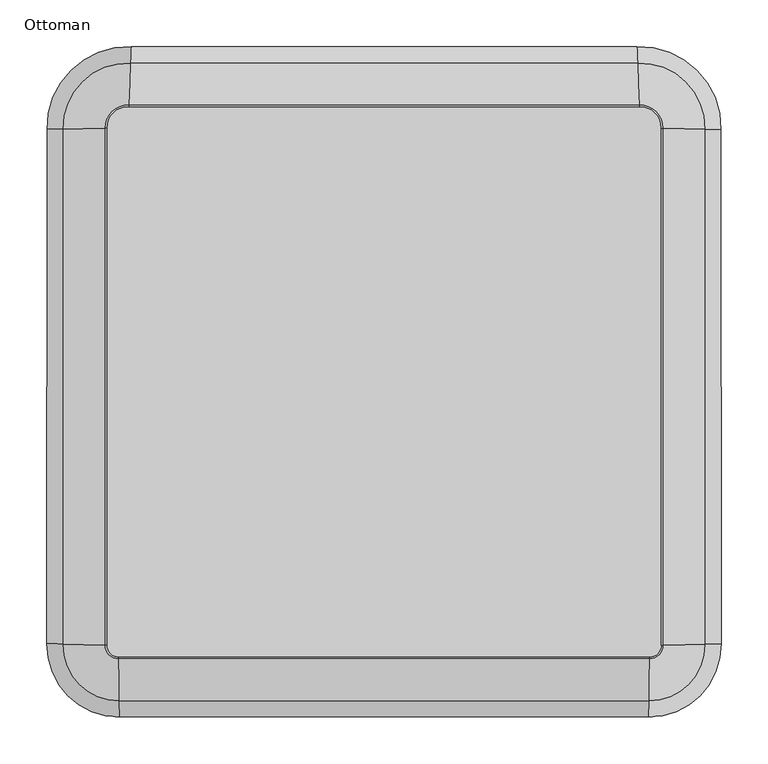
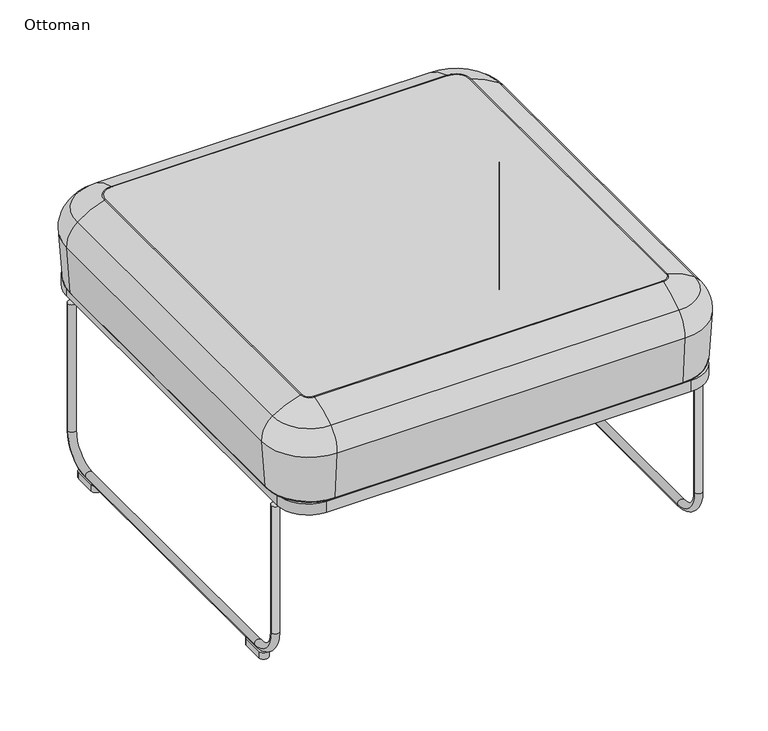
"""IFC4 building model written with IfcOpenShell, lengths in millimetres: furniture geometry, Ottoman."""

from ifc_helpers import new_model, si_unit, point, frame, frame_2d, origin, origin_with_axes, place, context, project, spatial, polyline, circle_curve, ellipse_curve, trimmed, segment, composite_curve, outline, extrude, source, transform, mapped, element, save
from ifc_brep_helpers import plane_surface, cylinder_surface, revolved_surface, advanced_brep


def ottoman_6b9ad98d(model_context):
    return source(origin(), model_context, "Body", "SolidModel", [
        advanced_brep(
        [(-167.4543852, -161.7092284, 425.107536), (396.0543852, -161.7092284, 425.107536), (396.8206981, -117.1105594, 446.6889113), (-168.2206981, -117.1105594, 446.6889113), (-167.1565501, -179.0429391, 387.7913652), (395.7565501, -179.0429391, 387.7913652), (-167.252074, -173.4835407, 308.2765291), (395.852074, -173.4835407, 308.2765291), (-167.3064873, -170.3167423, 305.3230059), (395.9064873, -170.3167423, 305.3230059), (396.8498064, -115.4164843, 446.9191268), (-168.2498064, -115.4164843, 446.9191268), (-180.9132091, -102.6612873, 446.9191268), (-182.6070297, -102.6199443, 446.6889113), (-227.1990008, -101.5315367, 425.107536), (-244.5301083, -101.1085164, 387.7913652), (-238.9715448, -101.2441906, 308.2765291), (-235.805222, -101.3214747, 305.3230059), (-180.8078426, 447.8185464, 446.9191268), (-182.5016789, 447.7778518, 446.6889113), (-227.0940634, 446.7065149, 425.107536), (-244.4253315, 446.2901293, 387.7913652), (-238.8667165, 446.4236756, 308.2765291), (-235.7003644, 446.4997476, 305.3230059), (-157.6631829, 470.5656909, 446.9191268), (-157.5931525, 472.2585681, 446.6889113), (-155.7495149, 516.8257031, 425.107536), (-155.0329671, 534.1471577, 387.7913652), (-155.2627837, 528.5916902, 308.2765291), (-155.3936941, 525.4271309, 305.3230059), (386.2631829, 470.5656909, 446.9191268), (386.1931525, 472.2585681, 446.6889113), (384.3495149, 516.8257031, 425.107536), (383.6329671, 534.1471577, 387.7913652), (383.8627837, 528.5916902, 308.2765291), (383.9936941, 525.4271309, 305.3230059), (409.4078426, 447.8185464, 446.9191268), (411.1016789, 447.7778518, 446.6889113), (455.6940634, 446.7065149, 425.107536), (473.0253315, 446.2901293, 387.7913652), (467.4667165, 446.4236756, 308.2765291), (464.3003644, 446.4997476, 305.3230059), (409.5132091, -102.6612873, 446.9191268), (411.2070297, -102.6199443, 446.6889113), (455.7990008, -101.5315367, 425.107536), (473.1301083, -101.1085164, 387.7913652), (467.5715448, -101.2441906, 308.2765291), (464.405222, -101.3214747, 305.3230059)],
        [
            (0, 1, circle_curve(frame((114.3, -16559.5410967, 425.107536), z_axis=(0.0, 0.0, -1.0), x_axis=(0.017179881139762494, 0.9998524149513385, 0.0)), 16400.2523003)),
            (1, 2, circle_curve(frame((397.4532216, -80.2983084, 313.7059939), z_axis=(-0.9998524149513385, 0.01717988113976248, 0.0), x_axis=(-0.01717988113976248, -0.9998524149513385, 0.0)), 137.9855)),
            (2, 3, circle_curve(frame((114.3, -16559.5410967, 446.6889113), z_axis=(0.0, 0.0, 1.0), x_axis=(0.017179881139762494, 0.9998524149513385, 0.0)), 16444.8575524)),
            (3, 0, circle_curve(frame((-168.8532216, -80.2983084, 313.7059939), z_axis=(0.9998524149513385, 0.017179881139762706, 0.0), x_axis=(0.017179881139762706, -0.9998524149513385, 0.0)), 137.9855)),
            (0, 4, circle_curve(frame((-167.8856877, -136.6078403, 390.7591544), z_axis=(0.9998524149513385, 0.017179881139762713, 0.0), x_axis=(0.017179881139762713, -0.9998524149513385, 0.0)), 42.545)),
            (4, 5, circle_curve(frame((114.3, -16559.5410967, 387.7913652), z_axis=(0.0, 0.0, -1.0), x_axis=(0.017179881139762494, 0.9998524149513385, 0.0)), 16382.9160311)),
            (5, 1, circle_curve(frame((396.4856877, -136.6078403, 390.7591544), z_axis=(-0.9998524149513385, 0.01717988113976248, 0.0), x_axis=(-0.01717988113976248, -0.9998524149513385, 0.0)), 42.545)),
            (4, 6),
            (6, 7, circle_curve(frame((114.3, -16559.5410967, 308.2765291), z_axis=(0.0, 0.0, -1.0), x_axis=(0.017179881139762494, 0.9998524149513385, 0.0)), 16388.4762501)),
            (7, 5),
            (6, 8, circle_curve(frame((-167.3064873, -170.3167423, 308.4980059), z_axis=(0.9998524149513385, 0.017179881139762706, 0.0), x_axis=(0.017179881139762706, -0.9998524149513385, 0.0)), 3.175)),
            (8, 9, circle_curve(frame((114.3, -16559.5410967, 305.3230059), z_axis=(0.0, 0.0, -1.0), x_axis=(0.017179881139762494, 0.9998524149513385, 0.0)), 16391.6435159)),
            (9, 7, circle_curve(frame((395.9064873, -170.3167423, 308.4980059), z_axis=(-0.9998524149513385, 0.01717988113976248, 0.0), x_axis=(-0.01717988113976248, -0.9998524149513385, 0.0)), 3.175)),
            (2, 10, circle_curve(frame((396.8498064, -115.4164843, 440.5691268), z_axis=(-0.9998524149513385, 0.01717988113976248, 0.0), x_axis=(-0.01717988113976248, -0.9998524149513385, 0.0)), 6.35)),
            (10, 11, circle_curve(frame((114.3, -16559.5410967, 446.9191268), z_axis=(0.0, 0.0, 1.0), x_axis=(0.017179881139762494, 0.9998524149513385, 0.0)), 16446.5518775)),
            (11, 3, circle_curve(frame((-168.2498064, -115.4164843, 440.5691268), z_axis=(0.9998524149513385, 0.017179881139762713, 0.0), x_axis=(0.017179881139762713, -0.9998524149513385, 0.0)), 6.35)),
            (11, 12, circle_curve(frame((-168.4637503, -102.9651556, 446.9191268), z_axis=(0.0, 0.0, -1.0), x_axis=(0.017179881139762807, -0.9998524149513385, 0.0)), 12.4531666)),
            (12, 13, circle_curve(frame((-180.9132091, -102.6612873, 440.5691268), z_axis=(-0.02440088431373543, -0.9997022540960422, 0.0), x_axis=(-0.9997022540960422, 0.02440088431373543, 0.0)), 6.35)),
            (13, 3, circle_curve(frame((-168.4637503, -102.9651556, 446.6889113), z_axis=(0.0, 0.0, 1.0), x_axis=(0.017179881139762807, -0.9998524149513385, 0.0)), 14.1474918)),
            (13, 14, circle_curve(frame((-145.8003073, -103.5183283, 313.7059939), z_axis=(-0.024400884314411137, -0.9997022540960256, 0.0), x_axis=(-0.9997022540960256, 0.024400884314411137, 0.0)), 137.9855)),
            (14, 0, circle_curve(frame((-168.4637503, -102.9651556, 425.107536), z_axis=(0.0, 0.0, 1.0), x_axis=(0.017179881139762807, -0.9998524149513385, 0.0)), 58.7527439)),
            (14, 15, circle_curve(frame((-202.1013825, -102.1441232, 390.7591544), z_axis=(-0.02440088431818522, -0.9997022540959335, 0.0), x_axis=(-0.9997022540959335, 0.02440088431818522, 0.0)), 42.545)),
            (15, 4, circle_curve(frame((-168.4637503, -102.9651556, 387.7913652), z_axis=(0.0, 0.0, 1.0), x_axis=(0.017179881139762807, -0.9998524149513385, 0.0)), 76.0890131)),
            (15, 16),
            (16, 6, circle_curve(frame((-168.4637503, -102.9651556, 308.2765291), z_axis=(0.0, 0.0, 1.0), x_axis=(0.017179881139762807, -0.9998524149513385, 0.0)), 70.5287941)),
            (16, 17, circle_curve(frame((-235.805222, -101.3214747, 308.4980059), z_axis=(-0.024400884318385444, -0.9997022540959286, 0.0), x_axis=(-0.9997022540959286, 0.024400884318385444, 0.0)), 3.175)),
            (17, 8, circle_curve(frame((-168.4637503, -102.9651556, 305.3230059), z_axis=(0.0, 0.0, 1.0), x_axis=(0.017179881139762807, -0.9998524149513385, 0.0)), 67.3615283)),
            (12, 18, circle_curve(frame((-11546.6003282, 174.7541286, 446.9191268), z_axis=(0.0, 0.0, 1.0), x_axis=(0.9997022540959043, -0.024400884319382744, 0.0)), 11369.0722138)),
            (18, 19, circle_curve(frame((-180.8078426, 447.8185464, 440.5691268), z_axis=(0.02401817955838133, -0.999711521915548, 0.0), x_axis=(-0.999711521915548, -0.02401817955838133, 0.0)), 6.35)),
            (19, 13, circle_curve(frame((-11546.6003282, 174.7541286, 446.6889113), z_axis=(0.0, 0.0, -1.0), x_axis=(0.9997022540959043, -0.024400884319382744, 0.0)), 11367.3778887)),
            (19, 20, circle_curve(frame((-145.6946153, 448.6621456, 313.7059939), z_axis=(0.02401817955838133, -0.999711521915548, 0.0), x_axis=(-0.999711521915548, -0.02401817955838133, 0.0)), 137.9855)),
            (20, 14, circle_curve(frame((-11546.6003282, 174.7541286, 425.107536), z_axis=(0.0, 0.0, -1.0), x_axis=(0.9997022540959043, -0.024400884319382744, 0.0)), 11322.7726366)),
            (20, 21, circle_curve(frame((-201.9962124, 447.3094935, 390.7591544), z_axis=(0.02401817955838133, -0.999711521915548, 0.0), x_axis=(-0.999711521915548, -0.02401817955838133, 0.0)), 42.545)),
            (21, 15, circle_curve(frame((-11546.6003282, 174.7541286, 387.7913652), z_axis=(0.0, 0.0, -1.0), x_axis=(0.9997022540959043, -0.024400884319382744, 0.0)), 11305.4363673)),
            (21, 22),
            (22, 16, circle_curve(frame((-11546.6003282, 174.7541286, 308.2765291), z_axis=(0.0, 0.0, -1.0), x_axis=(0.9997022540959043, -0.024400884319382744, 0.0)), 11310.9965863)),
            (22, 23, circle_curve(frame((-235.7003644, 446.4997476, 308.4980059), z_axis=(0.02401817955838133, -0.999711521915548, 0.0), x_axis=(-0.999711521915548, -0.02401817955838133, 0.0)), 3.175)),
            (23, 17, circle_curve(frame((-11546.6003282, 174.7541286, 305.3230059), z_axis=(0.0, 0.0, -1.0), x_axis=(0.9997022540959043, -0.024400884319382744, 0.0)), 11314.1638522)),
            (18, 24, circle_curve(frame((-158.5820894, 448.3525226, 446.9191268), z_axis=(0.0, 0.0, -1.0), x_axis=(-0.999711521915548, -0.024018179558381914, 0.0)), 22.2321666)),
            (24, 25, circle_curve(frame((-157.6631829, 470.5656909, 440.5691268), z_axis=(-0.9991454554224839, 0.04133229861255114, 0.0), x_axis=(0.04133229861255114, 0.9991454554224839, 0.0)), 6.35)),
            (25, 19, circle_curve(frame((-158.5820894, 448.3525226, 446.6889113), z_axis=(0.0, 0.0, 1.0), x_axis=(-0.999711521915548, -0.024018179558381914, 0.0)), 23.9264918)),
            (25, 26, circle_curve(frame((-159.1149121, 435.4723458, 313.7059939), z_axis=(-0.9991454554224782, 0.041332298612688015, 0.0), x_axis=(0.041332298612688015, 0.9991454554224782, 0.0)), 137.9855)),
            (26, 20, circle_curve(frame((-158.5820894, 448.3525226, 425.107536), z_axis=(0.0, 0.0, 1.0), x_axis=(-0.999711521915548, -0.024018179558381914, 0.0)), 68.5317439)),
            (26, 27, circle_curve(frame((-156.7871661, 491.7420632, 390.7591544), z_axis=(-0.9991454554224295, 0.04133229861386386, 0.0), x_axis=(0.04133229861386386, 0.9991454554224295, 0.0)), 42.545)),
            (27, 21, circle_curve(frame((-158.5820894, 448.3525226, 387.7913652), z_axis=(0.0, 0.0, 1.0), x_axis=(-0.999711521915548, -0.024018179558381914, 0.0)), 85.8680131)),
            (27, 28),
            (28, 22, circle_curve(frame((-158.5820894, 448.3525226, 308.2765291), z_axis=(0.0, 0.0, 1.0), x_axis=(-0.999711521915548, -0.024018179558381914, 0.0)), 80.3077941)),
            (28, 29, circle_curve(frame((-155.3936941, 525.4271309, 308.4980059), z_axis=(-0.9991454554224257, 0.0413322986139566, 0.0), x_axis=(0.0413322986139566, 0.9991454554224257, 0.0)), 3.175)),
            (29, 23, circle_curve(frame((-158.5820894, 448.3525226, 305.3230059), z_axis=(0.0, 0.0, 1.0), x_axis=(-0.999711521915548, -0.024018179558381914, 0.0)), 77.1405283)),
            (24, 30, circle_curve(frame((114.3, 7044.862, 446.9191268), z_axis=(0.0, 0.0, 1.0), x_axis=(-0.04133229861449432, -0.9991454554224036, 0.0)), 6579.9191433)),
            (30, 31, circle_curve(frame((386.2631829, 470.5656909, 440.5691268), z_axis=(-0.999145455422404, -0.041332298614487555, 0.0), x_axis=(-0.041332298614487555, 0.999145455422404, 0.0)), 6.35)),
            (31, 25, circle_curve(frame((114.3, 7044.862, 446.6889113), z_axis=(0.0, 0.0, -1.0), x_axis=(-0.04133229861449432, -0.9991454554224036, 0.0)), 6578.2248182)),
            (31, 32, circle_curve(frame((387.7149121, 435.4723458, 313.7059939), z_axis=(-0.999145455422404, -0.04133229861448754, 0.0), x_axis=(-0.04133229861448754, 0.999145455422404, 0.0)), 137.9855)),
            (32, 26, circle_curve(frame((114.3, 7044.862, 425.107536), z_axis=(0.0, 0.0, -1.0), x_axis=(-0.04133229861449432, -0.9991454554224036, 0.0)), 6533.6195661)),
            (32, 33, circle_curve(frame((385.3871661, 491.7420632, 390.7591544), z_axis=(-0.999145455422404, -0.04133229861448754, 0.0), x_axis=(-0.04133229861448754, 0.999145455422404, 0.0)), 42.545)),
            (33, 27, circle_curve(frame((114.3, 7044.862, 387.7913652), z_axis=(0.0, 0.0, -1.0), x_axis=(-0.04133229861449432, -0.9991454554224036, 0.0)), 6516.2832968)),
            (33, 34),
            (34, 28, circle_curve(frame((114.3, 7044.862, 308.2765291), z_axis=(0.0, 0.0, -1.0), x_axis=(-0.04133229861449432, -0.9991454554224036, 0.0)), 6521.8435158)),
            (34, 35, circle_curve(frame((383.9936941, 525.4271309, 308.4980059), z_axis=(-0.999145455422404, -0.04133229861448754, 0.0), x_axis=(-0.04133229861448754, 0.999145455422404, 0.0)), 3.175)),
            (35, 29, circle_curve(frame((114.3, 7044.862, 305.3230059), z_axis=(0.0, 0.0, -1.0), x_axis=(-0.04133229861449432, -0.9991454554224036, 0.0)), 6525.0107817)),
            (30, 36, circle_curve(frame((387.1820894, 448.3525226, 446.9191268), z_axis=(0.0, 0.0, -1.0), x_axis=(-0.04133229861448754, 0.9991454554224038, 0.0)), 22.2321666)),
            (36, 37, circle_curve(frame((409.4078426, 447.8185464, 440.5691268), z_axis=(0.024018179558418673, 0.9997115219155471, 0.0), x_axis=(0.9997115219155471, -0.024018179558418673, 0.0)), 6.35)),
            (37, 31, circle_curve(frame((387.1820894, 448.3525226, 446.6889113), z_axis=(0.0, 0.0, 1.0), x_axis=(-0.04133229861448754, 0.9991454554224038, 0.0)), 23.9264918)),
            (37, 38, circle_curve(frame((374.2946153, 448.6621456, 313.7059939), z_axis=(0.02401817955841845, 0.9997115219155471, 0.0), x_axis=(0.9997115219155471, -0.02401817955841845, 0.0)), 137.9855)),
            (38, 32, circle_curve(frame((387.1820894, 448.3525226, 425.107536), z_axis=(0.0, 0.0, 1.0), x_axis=(-0.04133229861448754, 0.9991454554224038, 0.0)), 68.5317439)),
            (38, 39, circle_curve(frame((430.5962124, 447.3094935, 390.7591544), z_axis=(0.024018179558392264, 0.9997115219155478, 0.0), x_axis=(0.9997115219155478, -0.024018179558392264, 0.0)), 42.545)),
            (39, 33, circle_curve(frame((387.1820894, 448.3525226, 387.7913652), z_axis=(0.0, 0.0, 1.0), x_axis=(-0.04133229861448754, 0.9991454554224038, 0.0)), 85.8680131)),
            (39, 40),
            (40, 34, circle_curve(frame((387.1820894, 448.3525226, 308.2765291), z_axis=(0.0, 0.0, 1.0), x_axis=(-0.04133229861448754, 0.9991454554224038, 0.0)), 80.3077941)),
            (40, 41, circle_curve(frame((464.3003644, 446.4997476, 308.4980059), z_axis=(0.02401817955839182, 0.9997115219155477, 0.0), x_axis=(0.9997115219155477, -0.02401817955839182, 0.0)), 3.175)),
            (41, 35, circle_curve(frame((387.1820894, 448.3525226, 305.3230059), z_axis=(0.0, 0.0, 1.0), x_axis=(-0.04133229861448754, 0.9991454554224038, 0.0)), 77.1405283)),
            (36, 42, circle_curve(frame((11775.2003282, 174.7541286, 446.9191268), z_axis=(0.0, 0.0, 1.0), x_axis=(-0.9997115219155481, 0.024018179558381127, 0.0)), 11369.0722138)),
            (42, 43, circle_curve(frame((409.5132091, -102.6612873, 440.5691268), z_axis=(-0.0244008843193764, 0.9997022540959045, 0.0), x_axis=(0.9997022540959045, 0.0244008843193764, 0.0)), 6.35)),
            (43, 37, circle_curve(frame((11775.2003282, 174.7541286, 446.6889113), z_axis=(0.0, 0.0, -1.0), x_axis=(-0.9997115219155481, 0.024018179558381127, 0.0)), 11367.3778887)),
            (43, 44, circle_curve(frame((374.4003073, -103.5183283, 313.7059939), z_axis=(-0.024400884319376395, 0.9997022540959045, 0.0), x_axis=(0.9997022540959045, 0.024400884319376395, 0.0)), 137.9855)),
            (44, 38, circle_curve(frame((11775.2003282, 174.7541286, 425.107536), z_axis=(0.0, 0.0, -1.0), x_axis=(-0.9997115219155481, 0.024018179558381127, 0.0)), 11322.7726366)),
            (44, 45, circle_curve(frame((430.7013825, -102.1441232, 390.7591544), z_axis=(-0.024400884319376353, 0.9997022540959045, 0.0), x_axis=(0.9997022540959045, 0.024400884319376353, 0.0)), 42.545)),
            (45, 39, circle_curve(frame((11775.2003282, 174.7541286, 387.7913652), z_axis=(0.0, 0.0, -1.0), x_axis=(-0.9997115219155481, 0.024018179558381127, 0.0)), 11305.4363673)),
            (45, 46),
            (46, 40, circle_curve(frame((11775.2003282, 174.7541286, 308.2765291), z_axis=(0.0, 0.0, -1.0), x_axis=(-0.9997115219155481, 0.024018179558381127, 0.0)), 11310.9965863)),
            (46, 47, circle_curve(frame((464.405222, -101.3214747, 308.4980059), z_axis=(-0.024400884319376346, 0.9997022540959045, 0.0), x_axis=(0.9997022540959045, 0.024400884319376346, 0.0)), 3.175)),
            (47, 41, circle_curve(frame((11775.2003282, 174.7541286, 305.3230059), z_axis=(0.0, 0.0, -1.0), x_axis=(-0.9997115219155481, 0.024018179558381127, 0.0)), 11314.1638522)),
            (10, 42, circle_curve(frame((397.0637503, -102.9651556, 446.9191268), z_axis=(0.0, 0.0, 1.0), x_axis=(0.9997022540959042, 0.0244008843193877, 0.0)), 12.4531666)),
            (2, 43, circle_curve(frame((397.0637503, -102.9651556, 446.6889113), z_axis=(0.0, 0.0, 1.0), x_axis=(0.9997022540959042, 0.0244008843193877, 0.0)), 14.1474918)),
            (1, 44, circle_curve(frame((397.0637503, -102.9651556, 425.107536), z_axis=(0.0, 0.0, 1.0), x_axis=(0.9997022540959042, 0.0244008843193877, 0.0)), 58.7527439)),
            (5, 45, circle_curve(frame((397.0637503, -102.9651556, 387.7913652), z_axis=(0.0, 0.0, 1.0), x_axis=(0.9997022540959042, 0.0244008843193877, 0.0)), 76.0890131)),
            (7, 46, circle_curve(frame((397.0637503, -102.9651556, 308.2765291), z_axis=(0.0, 0.0, 1.0), x_axis=(0.9997022540959042, 0.0244008843193877, 0.0)), 70.5287941)),
            (9, 47, circle_curve(frame((397.0637503, -102.9651556, 305.3230059), z_axis=(0.0, 0.0, 1.0), x_axis=(0.9997022540959042, 0.0244008843193877, 0.0)), 67.3615283)),
        ],
        [
            revolved_surface(trimmed(ellipse_curve(frame((397.4532216, -80.2983084, 313.7059939), z_axis=(0.9998524149513385, -0.01717988113976248, 0.0), x_axis=(-0.01717988113976248, -0.9998524149513385, 0.0)), 137.9855, 137.9855), [point((396.8206981, -117.1105594, 446.6889113))], [point((396.0543852, -161.7092284, 425.107536))], True, "CARTESIAN"), (114.3, -16559.5410967, 431.8), (0.0, 0.0, 1.0)),
            revolved_surface(trimmed(ellipse_curve(frame((396.4856877, -136.6078403, 390.7591544), z_axis=(0.9998524149513385, -0.01717988113976248, 0.0), x_axis=(-0.01717988113976248, -0.9998524149513385, 0.0)), 42.545, 42.545), [point((396.0543852, -161.7092284, 425.107536))], [point((395.7565501, -179.0429391, 387.7913652))], True, "CARTESIAN"), (114.3, -16559.5410967, 431.8), (0.0, 0.0, 1.0)),
            revolved_surface(polyline([(395.7565501, -179.0429391, 387.7913652), (395.852074, -173.4835407, 308.2765291)]), (114.3, -16559.5410967, 431.8), (0.0, 0.0, 1.0)),
            revolved_surface(trimmed(ellipse_curve(frame((395.9064873, -170.3167423, 308.4980059), z_axis=(0.9998524149513385, -0.01717988113976248, 0.0), x_axis=(-0.01717988113976248, -0.9998524149513385, 0.0)), 3.175, 3.175), [point((395.852074, -173.4835407, 308.2765291))], [point((395.9064873, -170.3167423, 305.3230059))], True, "CARTESIAN"), (114.3, -16559.5410967, 431.8), (0.0, 0.0, 1.0)),
            revolved_surface(trimmed(ellipse_curve(frame((396.8498064, -115.4164843, 440.5691268), z_axis=(0.9998524149513385, -0.01717988113976248, 0.0), x_axis=(-0.01717988113976248, -0.9998524149513385, 0.0)), 6.35, 6.35), [point((396.8498064, -115.4164843, 446.9191268))], [point((396.8206981, -117.1105594, 446.6889113))], True, "CARTESIAN"), (114.3, -16559.5410967, 431.8), (0.0, 0.0, 1.0)),
            revolved_surface(trimmed(ellipse_curve(frame((-168.2498064, -115.4164843, 440.5691268), z_axis=(0.9998524149513385, 0.017179881139762845, 0.0), x_axis=(0.017179881139762845, -0.9998524149513385, 0.0)), 6.35, 6.35), [point((-168.2498064, -115.4164843, 446.9191268))], [point((-168.2206981, -117.1105594, 446.6889113))], True, "CARTESIAN"), (-168.4637503, -102.9651556, 431.8), (0.0, 0.0, -1.0)),
            revolved_surface(trimmed(ellipse_curve(frame((-168.8532216, -80.2983084, 313.7059939), z_axis=(0.9998524149513385, 0.017179881139762845, 0.0), x_axis=(0.017179881139762845, -0.9998524149513385, 0.0)), 137.9855, 137.9855), [point((-168.2206981, -117.1105594, 446.6889113))], [point((-167.4543852, -161.7092284, 425.107536))], True, "CARTESIAN"), (-168.4637503, -102.9651556, 431.8), (0.0, 0.0, -1.0)),
            revolved_surface(trimmed(ellipse_curve(frame((-167.8856877, -136.6078403, 390.7591544), z_axis=(0.9998524149513385, 0.017179881139762845, 0.0), x_axis=(0.017179881139762845, -0.9998524149513385, 0.0)), 42.545, 42.545), [point((-167.4543852, -161.7092284, 425.107536))], [point((-167.1565501, -179.0429391, 387.7913652))], True, "CARTESIAN"), (-168.4637503, -102.9651556, 431.8), (0.0, 0.0, -1.0)),
            revolved_surface(polyline([(-167.1565501, -179.0429391, 387.7913652), (-167.252074, -173.4835407, 308.2765291)]), (-168.4637503, -102.9651556, 431.8), (0.0, 0.0, -1.0)),
            revolved_surface(trimmed(ellipse_curve(frame((-167.3064873, -170.3167423, 308.4980059), z_axis=(0.9998524149513385, 0.017179881139762845, 0.0), x_axis=(0.017179881139762845, -0.9998524149513385, 0.0)), 3.175, 3.175), [point((-167.252074, -173.4835407, 308.2765291))], [point((-167.3064873, -170.3167423, 305.3230059))], True, "CARTESIAN"), (-168.4637503, -102.9651556, 431.8), (0.0, 0.0, -1.0)),
            revolved_surface(trimmed(ellipse_curve(frame((-180.9132091, -102.6612873, 440.5691268), z_axis=(-0.02440088431938276, -0.9997022540959043, 0.0), x_axis=(-0.9997022540959043, 0.02440088431938276, 0.0)), 6.35, 6.35), [point((-180.9132091, -102.6612873, 446.9191268))], [point((-182.6070297, -102.6199443, 446.6889113))], True, "CARTESIAN"), (-11546.6003282, 174.7541286, 431.8), (0.0, 0.0, 1.0)),
            revolved_surface(trimmed(ellipse_curve(frame((-145.8003073, -103.5183283, 313.7059939), z_axis=(-0.02440088431938276, -0.9997022540959043, 0.0), x_axis=(-0.9997022540959043, 0.02440088431938276, 0.0)), 137.9855, 137.9855), [point((-182.6070297, -102.6199443, 446.6889113))], [point((-227.1990008, -101.5315367, 425.107536))], True, "CARTESIAN"), (-11546.6003282, 174.7541286, 431.8), (0.0, 0.0, 1.0)),
            revolved_surface(trimmed(ellipse_curve(frame((-202.1013825, -102.1441232, 390.7591544), z_axis=(-0.02440088431938276, -0.9997022540959043, 0.0), x_axis=(-0.9997022540959043, 0.02440088431938276, 0.0)), 42.545, 42.545), [point((-227.1990008, -101.5315367, 425.107536))], [point((-244.5301083, -101.1085164, 387.7913652))], True, "CARTESIAN"), (-11546.6003282, 174.7541286, 431.8), (0.0, 0.0, 1.0)),
            revolved_surface(polyline([(-244.5301083, -101.1085164, 387.7913652), (-238.9715448, -101.2441906, 308.2765291)]), (-11546.6003282, 174.7541286, 431.8), (0.0, 0.0, 1.0)),
            revolved_surface(trimmed(ellipse_curve(frame((-235.805222, -101.3214747, 308.4980059), z_axis=(-0.02440088431938276, -0.9997022540959043, 0.0), x_axis=(-0.9997022540959043, 0.02440088431938276, 0.0)), 3.175, 3.175), [point((-238.9715448, -101.2441906, 308.2765291))], [point((-235.805222, -101.3214747, 305.3230059))], True, "CARTESIAN"), (-11546.6003282, 174.7541286, 431.8), (0.0, 0.0, 1.0)),
            revolved_surface(trimmed(ellipse_curve(frame((-180.8078426, 447.8185464, 440.5691268), z_axis=(0.024018179558381945, -0.999711521915548, 0.0), x_axis=(-0.999711521915548, -0.024018179558381945, 0.0)), 6.35, 6.35), [point((-180.8078426, 447.8185464, 446.9191268))], [point((-182.5016789, 447.7778518, 446.6889113))], True, "CARTESIAN"), (-158.5820894, 448.3525226, 431.8), (0.0, 0.0, -1.0)),
            revolved_surface(trimmed(ellipse_curve(frame((-145.6946153, 448.6621456, 313.7059939), z_axis=(0.024018179558381945, -0.999711521915548, 0.0), x_axis=(-0.999711521915548, -0.024018179558381945, 0.0)), 137.9855, 137.9855), [point((-182.5016789, 447.7778518, 446.6889113))], [point((-227.0940634, 446.7065149, 425.107536))], True, "CARTESIAN"), (-158.5820894, 448.3525226, 431.8), (0.0, 0.0, -1.0)),
            revolved_surface(trimmed(ellipse_curve(frame((-201.9962124, 447.3094935, 390.7591544), z_axis=(0.024018179558381945, -0.999711521915548, 0.0), x_axis=(-0.999711521915548, -0.024018179558381945, 0.0)), 42.545, 42.545), [point((-227.0940634, 446.7065149, 425.107536))], [point((-244.4253315, 446.2901293, 387.7913652))], True, "CARTESIAN"), (-158.5820894, 448.3525226, 431.8), (0.0, 0.0, -1.0)),
            revolved_surface(polyline([(-244.4253315, 446.2901293, 387.7913652), (-238.8667165, 446.4236756, 308.2765291)]), (-158.5820894, 448.3525226, 431.8), (0.0, 0.0, -1.0)),
            revolved_surface(trimmed(ellipse_curve(frame((-235.7003644, 446.4997476, 308.4980059), z_axis=(0.024018179558381945, -0.999711521915548, 0.0), x_axis=(-0.999711521915548, -0.024018179558381945, 0.0)), 3.175, 3.175), [point((-238.8667165, 446.4236756, 308.2765291))], [point((-235.7003644, 446.4997476, 305.3230059))], True, "CARTESIAN"), (-158.5820894, 448.3525226, 431.8), (0.0, 0.0, -1.0)),
            revolved_surface(trimmed(ellipse_curve(frame((-157.6631829, 470.5656909, 440.5691268), z_axis=(-0.9991454554224036, 0.041332298614494264, 0.0), x_axis=(0.041332298614494264, 0.9991454554224036, 0.0)), 6.35, 6.35), [point((-157.6631829, 470.5656909, 446.9191268))], [point((-157.5931525, 472.2585681, 446.6889113))], True, "CARTESIAN"), (114.3, 7044.862, 431.8), (0.0, 0.0, 1.0)),
            revolved_surface(trimmed(ellipse_curve(frame((-159.1149121, 435.4723458, 313.7059939), z_axis=(-0.9991454554224036, 0.041332298614494264, 0.0), x_axis=(0.041332298614494264, 0.9991454554224036, 0.0)), 137.9855, 137.9855), [point((-157.5931525, 472.2585681, 446.6889113))], [point((-155.7495149, 516.8257031, 425.107536))], True, "CARTESIAN"), (114.3, 7044.862, 431.8), (0.0, 0.0, 1.0)),
            revolved_surface(trimmed(ellipse_curve(frame((-156.7871661, 491.7420632, 390.7591544), z_axis=(-0.9991454554224036, 0.041332298614494264, 0.0), x_axis=(0.041332298614494264, 0.9991454554224036, 0.0)), 42.545, 42.545), [point((-155.7495149, 516.8257031, 425.107536))], [point((-155.0329671, 534.1471577, 387.7913652))], True, "CARTESIAN"), (114.3, 7044.862, 431.8), (0.0, 0.0, 1.0)),
            revolved_surface(polyline([(-155.0329671, 534.1471577, 387.7913652), (-155.2627837, 528.5916902, 308.2765291)]), (114.3, 7044.862, 431.8), (0.0, 0.0, 1.0)),
            revolved_surface(trimmed(ellipse_curve(frame((-155.3936941, 525.4271309, 308.4980059), z_axis=(-0.9991454554224036, 0.041332298614494264, 0.0), x_axis=(0.041332298614494264, 0.9991454554224036, 0.0)), 3.175, 3.175), [point((-155.2627837, 528.5916902, 308.2765291))], [point((-155.3936941, 525.4271309, 305.3230059))], True, "CARTESIAN"), (114.3, 7044.862, 431.8), (0.0, 0.0, 1.0)),
            revolved_surface(trimmed(ellipse_curve(frame((386.2631829, 470.5656909, 440.5691268), z_axis=(-0.9991454554224038, -0.0413322986144876, 0.0), x_axis=(-0.0413322986144876, 0.9991454554224038, 0.0)), 6.35, 6.35), [point((386.2631829, 470.5656909, 446.9191268))], [point((386.1931525, 472.2585681, 446.6889113))], True, "CARTESIAN"), (387.1820894, 448.3525226, 431.8), (0.0, 0.0, -1.0)),
            revolved_surface(trimmed(ellipse_curve(frame((387.7149121, 435.4723458, 313.7059939), z_axis=(-0.9991454554224038, -0.0413322986144876, 0.0), x_axis=(-0.0413322986144876, 0.9991454554224038, 0.0)), 137.9855, 137.9855), [point((386.1931525, 472.2585681, 446.6889113))], [point((384.3495149, 516.8257031, 425.107536))], True, "CARTESIAN"), (387.1820894, 448.3525226, 431.8), (0.0, 0.0, -1.0)),
            revolved_surface(trimmed(ellipse_curve(frame((385.3871661, 491.7420632, 390.7591544), z_axis=(-0.9991454554224038, -0.0413322986144876, 0.0), x_axis=(-0.0413322986144876, 0.9991454554224038, 0.0)), 42.545, 42.545), [point((384.3495149, 516.8257031, 425.107536))], [point((383.6329671, 534.1471577, 387.7913652))], True, "CARTESIAN"), (387.1820894, 448.3525226, 431.8), (0.0, 0.0, -1.0)),
            revolved_surface(polyline([(383.6329671, 534.1471577, 387.7913652), (383.8627837, 528.5916902, 308.2765291)]), (387.1820894, 448.3525226, 431.8), (0.0, 0.0, -1.0)),
            revolved_surface(trimmed(ellipse_curve(frame((383.9936941, 525.4271309, 308.4980059), z_axis=(-0.9991454554224038, -0.0413322986144876, 0.0), x_axis=(-0.0413322986144876, 0.9991454554224038, 0.0)), 3.175, 3.175), [point((383.8627837, 528.5916902, 308.2765291))], [point((383.9936941, 525.4271309, 305.3230059))], True, "CARTESIAN"), (387.1820894, 448.3525226, 431.8), (0.0, 0.0, -1.0)),
            revolved_surface(trimmed(ellipse_curve(frame((409.4078426, 447.8185464, 440.5691268), z_axis=(0.024018179558381064, 0.9997115219155481, 0.0), x_axis=(0.9997115219155481, -0.024018179558381064, 0.0)), 6.35, 6.35), [point((409.4078426, 447.8185464, 446.9191268))], [point((411.1016789, 447.7778518, 446.6889113))], True, "CARTESIAN"), (11775.2003282, 174.7541286, 431.8), (0.0, 0.0, 1.0)),
            revolved_surface(trimmed(ellipse_curve(frame((374.2946153, 448.6621456, 313.7059939), z_axis=(0.024018179558381064, 0.9997115219155481, 0.0), x_axis=(0.9997115219155481, -0.024018179558381064, 0.0)), 137.9855, 137.9855), [point((411.1016789, 447.7778518, 446.6889113))], [point((455.6940634, 446.7065149, 425.107536))], True, "CARTESIAN"), (11775.2003282, 174.7541286, 431.8), (0.0, 0.0, 1.0)),
            revolved_surface(trimmed(ellipse_curve(frame((430.5962124, 447.3094935, 390.7591544), z_axis=(0.024018179558381064, 0.9997115219155481, 0.0), x_axis=(0.9997115219155481, -0.024018179558381064, 0.0)), 42.545, 42.545), [point((455.6940634, 446.7065149, 425.107536))], [point((473.0253315, 446.2901293, 387.7913652))], True, "CARTESIAN"), (11775.2003282, 174.7541286, 431.8), (0.0, 0.0, 1.0)),
            revolved_surface(polyline([(473.0253315, 446.2901293, 387.7913652), (467.4667165, 446.4236756, 308.2765291)]), (11775.2003282, 174.7541286, 431.8), (0.0, 0.0, 1.0)),
            revolved_surface(trimmed(ellipse_curve(frame((464.3003644, 446.4997476, 308.4980059), z_axis=(0.024018179558381064, 0.9997115219155481, 0.0), x_axis=(0.9997115219155481, -0.024018179558381064, 0.0)), 3.175, 3.175), [point((467.4667165, 446.4236756, 308.2765291))], [point((464.3003644, 446.4997476, 305.3230059))], True, "CARTESIAN"), (11775.2003282, 174.7541286, 431.8), (0.0, 0.0, 1.0)),
            plane_surface(frame((397.0637503, -102.9651556, 446.9191268), z_axis=(0.0, 0.0, 1.0), x_axis=(0.9997022540959043, 0.024400884319387705, 0.0))),
            revolved_surface(trimmed(ellipse_curve(frame((409.5132091, -102.6612873, 440.5691268), z_axis=(-0.02440088431938776, 0.9997022540959042, 0.0), x_axis=(0.9997022540959042, 0.02440088431938776, 0.0)), 6.35, 6.35), [point((409.5132091, -102.6612873, 446.9191268))], [point((411.2070297, -102.6199443, 446.6889113))], True, "CARTESIAN"), (397.0637503, -102.9651556, 431.8), (0.0, 0.0, -1.0)),
            revolved_surface(trimmed(ellipse_curve(frame((374.4003073, -103.5183283, 313.7059939), z_axis=(-0.02440088431938776, 0.9997022540959042, 0.0), x_axis=(0.9997022540959042, 0.02440088431938776, 0.0)), 137.9855, 137.9855), [point((411.2070297, -102.6199443, 446.6889113))], [point((455.7990008, -101.5315367, 425.107536))], True, "CARTESIAN"), (397.0637503, -102.9651556, 431.8), (0.0, 0.0, -1.0)),
            revolved_surface(trimmed(ellipse_curve(frame((430.7013825, -102.1441232, 390.7591544), z_axis=(-0.02440088431938776, 0.9997022540959042, 0.0), x_axis=(0.9997022540959042, 0.02440088431938776, 0.0)), 42.545, 42.545), [point((455.7990008, -101.5315367, 425.107536))], [point((473.1301083, -101.1085164, 387.7913652))], True, "CARTESIAN"), (397.0637503, -102.9651556, 431.8), (0.0, 0.0, -1.0)),
            revolved_surface(polyline([(473.1301083, -101.1085164, 387.7913652), (467.5715448, -101.2441906, 308.2765291)]), (397.0637503, -102.9651556, 431.8), (0.0, 0.0, -1.0)),
            revolved_surface(trimmed(ellipse_curve(frame((464.405222, -101.3214747, 308.4980059), z_axis=(-0.02440088431938776, 0.9997022540959042, 0.0), x_axis=(0.9997022540959042, 0.02440088431938776, 0.0)), 3.175, 3.175), [point((467.5715448, -101.2441906, 308.2765291))], [point((464.405222, -101.3214747, 305.3230059))], True, "CARTESIAN"), (397.0637503, -102.9651556, 431.8), (0.0, 0.0, -1.0)),
            plane_surface(frame((397.0637503, -102.9651556, 305.3230059), z_axis=(0.0, 0.0, -1.0), x_axis=(0.9997022540959043, 0.024400884319387705, 0.0))),
        ],
        [
            (0, [[1, 2, 3, 4]]),
            (1, [[-1, 5, 6, 7]]),
            (2, [[-6, 8, 9, 10]]),
            (3, [[-9, 11, 12, 13]]),
            (4, [[-3, 14, 15, 16]]),
            (5, [[-16, 17, 18, 19]]),
            (6, [[-4, -19, 20, 21]]),
            (7, [[-5, -21, 22, 23]]),
            (8, [[-8, -23, 24, 25]]),
            (9, [[-11, -25, 26, 27]]),
            (10, [[-18, 28, 29, 30]]),
            (11, [[-20, -30, 31, 32]]),
            (12, [[-22, -32, 33, 34]]),
            (13, [[-24, -34, 35, 36]]),
            (14, [[-26, -36, 37, 38]]),
            (15, [[-29, 39, 40, 41]]),
            (16, [[-31, -41, 42, 43]]),
            (17, [[-33, -43, 44, 45]]),
            (18, [[-35, -45, 46, 47]]),
            (19, [[-37, -47, 48, 49]]),
            (20, [[-40, 50, 51, 52]]),
            (21, [[-42, -52, 53, 54]]),
            (22, [[-44, -54, 55, 56]]),
            (23, [[-46, -56, 57, 58]]),
            (24, [[-48, -58, 59, 60]]),
            (25, [[-51, 61, 62, 63]]),
            (26, [[-53, -63, 64, 65]]),
            (27, [[-55, -65, 66, 67]]),
            (28, [[-57, -67, 68, 69]]),
            (29, [[-59, -69, 70, 71]]),
            (30, [[-62, 72, 73, 74]]),
            (31, [[-64, -74, 75, 76]]),
            (32, [[-66, -76, 77, 78]]),
            (33, [[-68, -78, 79, 80]]),
            (34, [[-70, -80, 81, 82]]),
            (35, [[-15, 83, -72, -61, -50, -39, -28, -17]]),
            (36, [[-14, 84, -73, -83]]),
            (37, [[-2, 85, -75, -84]]),
            (38, [[-7, 86, -77, -85]]),
            (39, [[-10, 87, -79, -86]]),
            (40, [[-13, 88, -81, -87]]),
            (41, [[-12, -27, -38, -49, -60, -71, -82, -88]]),
        ],
    ),
        extrude(outline(polyline([(-227.6825349, -104.6783184), (-227.6825349, -66.5997924), (456.2825349, -66.5997924), (456.2825349, -104.6783184), (-227.6825349, -104.6783184)])), frame((0.0, 0.0, 283.1300109), z_axis=(0.0, 0.0, 1.0), x_axis=(1.0, 0.0, 0.0)), (0.0, 0.0, 1.0), 3.3459985),
        extrude(outline(polyline([(-227.6825349, 415.8008769), (-227.6825349, 453.8794029), (456.2825349, 453.8794029), (456.2825349, 415.8008769), (-227.6825349, 415.8008769)])), frame((0.0, 0.0, 283.1300109), z_axis=(0.0, 0.0, 1.0), x_axis=(1.0, 0.0, 0.0)), (0.0, 0.0, 1.0), 3.3459985),
        extrude(outline(composite_curve([segment(trimmed(circle_curve(frame_2d((-228.6590435, 427.5637247)), 7.8798642), [point((-236.5389076, 427.5654728))], [point((-220.7791795, 427.5654522))], False, "CARTESIAN"), True, "CONTINUOUS"), segment(polyline([(-220.7791795, 427.5654522), (-220.7715736, 392.8721387)]), True, "CONTINUOUS"), segment(trimmed(circle_curve(frame_2d((-228.6590888, 392.8704094)), 7.8875154), [point((-220.7715736, 392.8721387))], [point((-236.5466041, 392.8721592))], False, "CARTESIAN"), True, "CONTINUOUS"), segment(polyline([(-236.5466041, 392.8721592), (-236.5389076, 427.5654728)]), True, "CONTINUOUS")], self_intersect=False)), origin_with_axes(), (0.0, 0.0, 1.0), 11.1144914),
        extrude(outline(composite_curve([segment(trimmed(circle_curve(frame_2d((-228.6593802, -43.605474)), 7.8875176), [point((-236.5468976, -43.6072238))], [point((-220.7718628, -43.6072238))], False, "CARTESIAN"), True, "CONTINUOUS"), segment(polyline([(-220.7718628, -43.6072238), (-220.7795748, -78.3703547)]), True, "CONTINUOUS"), segment(trimmed(circle_curve(frame_2d((-228.6593802, -78.3686066)), 7.8798056), [point((-220.7795748, -78.3703547))], [point((-236.5391857, -78.3703547))], False, "CARTESIAN"), True, "CONTINUOUS"), segment(polyline([(-236.5391857, -78.3703547), (-236.5468976, -43.6072238)]), True, "CONTINUOUS")], self_intersect=False)), origin_with_axes(), (0.0, 0.0, 1.0), 11.1144914),
        extrude(outline(composite_curve([segment(polyline([(460.5725137, 470.061898), (460.5725137, -120.8400015)]), True, "CONTINUOUS"), segment(trimmed(circle_curve(frame_2d((409.7725137, -120.8400015)), 50.8), [point((460.5725137, -120.8400015))], [point((409.7725137, -171.6400015))], False, "CARTESIAN"), True, "CONTINUOUS"), segment(polyline([(409.7725137, -171.6400015), (-181.1725137, -171.6400015)]), True, "CONTINUOUS"), segment(trimmed(circle_curve(frame_2d((-181.1725137, -120.8400015)), 50.8), [point((-181.1725137, -171.6400015))], [point((-231.9725137, -120.8400015))], False, "CARTESIAN"), True, "CONTINUOUS"), segment(polyline([(-231.9725137, -120.8400015), (-231.9725137, 470.061898)]), True, "CONTINUOUS"), segment(trimmed(circle_curve(frame_2d((-181.1725137, 470.061898)), 50.8), [point((-231.9725137, 470.061898))], [point((-181.1725137, 520.861898))], False, "CARTESIAN"), True, "CONTINUOUS"), segment(polyline([(-181.1725137, 520.861898), (409.7725137, 520.861898)]), True, "CONTINUOUS"), segment(trimmed(circle_curve(frame_2d((409.7725137, 470.061898)), 50.8), [point((409.7725137, 520.861898))], [point((460.5725137, 470.061898))], False, "CARTESIAN"), True, "CONTINUOUS")], self_intersect=False)), frame((0.0, 0.0, 286.4380212), z_axis=(0.0, 0.0, 1.0), x_axis=(1.0, 0.0, 0.0)), (0.0, 0.0, 1.0), 18.8849846),
        advanced_brep(
        [(-222.3254282, 460.3104812, 280.1080775), (-234.9931869, 460.3104812, 280.1080775), (-234.9931869, 460.2669931, 61.8491387), (-222.3254282, 460.2669931, 61.8491387), (-222.3254282, 411.7368666, 13.3286809), (-234.9931869, 411.7368666, 13.3286809), (-234.9931869, -62.5438809, 13.3286809), (-222.3254282, -62.5438809, 13.3286809), (-222.3254282, -111.04447, 61.82927), (-234.9931869, -111.04447, 61.82927), (-222.3254282, -111.04447, 280.1068155), (-234.9931869, -111.04447, 280.1068155)],
        [
            (0, 1, circle_curve(frame((-228.6593075, 460.3104812, 280.1080775), z_axis=(0.0, 0.00019924995065655156, 0.9999999801497284), x_axis=(-1.0, 0.0, 0.0)), 6.3338794)),
            (1, 0, circle_curve(frame((-228.6593075, 460.3104812, 280.1080775), z_axis=(0.0, 0.00019924995065655156, 0.9999999801497284), x_axis=(-1.0, 0.0, 0.0)), 6.3338794)),
            (1, 2),
            (2, 3, circle_curve(frame((-228.6593075, 460.2669931, 61.8491387), z_axis=(0.0, 0.00019924995065655156, 0.9999999801497284), x_axis=(-1.0, 0.0, 0.0)), 6.3338794)),
            (3, 0),
            (3, 2, circle_curve(frame((-228.6593075, 460.2669931, 61.8491387), z_axis=(0.0, 0.00019924995065655156, 0.9999999801497284), x_axis=(-1.0, 0.0, 0.0)), 6.3338794)),
            (4, 3, circle_curve(frame((-222.3254282, 411.7368666, 61.8588083), z_axis=(1.0, 0.0, 0.0), x_axis=(0.0, 0.9999999801497284, -0.00019924995065750433)), 48.5301274)),
            (2, 5, circle_curve(frame((-234.9931869, 411.7368666, 61.8588083), z_axis=(-1.0, 0.0, 0.0), x_axis=(0.0, 0.9999999801497284, -0.00019924995065750433)), 48.5301274)),
            (5, 4, circle_curve(frame((-228.6593075, 411.7368666, 13.3286809), z_axis=(0.0, 1.0, 0.0), x_axis=(-1.0, 0.0, 0.0)), 6.3338794)),
            (4, 5, circle_curve(frame((-228.6593075, 411.7368666, 13.3286809), z_axis=(0.0, 1.0, 0.0), x_axis=(-1.0, 0.0, 0.0)), 6.3338794)),
            (5, 6),
            (6, 7, circle_curve(frame((-228.6593075, -62.5438809, 13.3286809), z_axis=(0.0, 1.0, 0.0), x_axis=(-1.0, 0.0, 0.0)), 6.3338794)),
            (7, 4),
            (7, 6, circle_curve(frame((-228.6593075, -62.5438809, 13.3286809), z_axis=(0.0, 1.0, 0.0), x_axis=(-1.0, 0.0, 0.0)), 6.3338794)),
            (8, 7, circle_curve(frame((-222.3254282, -62.5438809, 61.82927), z_axis=(1.0, 0.0, 0.0), x_axis=(0.0, 0.0, -1.0)), 48.5005892)),
            (6, 9, circle_curve(frame((-234.9931869, -62.5438809, 61.82927), z_axis=(-1.0, 0.0, 0.0), x_axis=(0.0, 0.0, -1.0)), 48.5005892)),
            (9, 8, circle_curve(frame((-228.6593075, -111.04447, 61.82927), z_axis=(0.0, 0.0, -1.0), x_axis=(-1.0, 0.0, 0.0)), 6.3338794)),
            (8, 9, circle_curve(frame((-228.6593075, -111.04447, 61.82927), z_axis=(0.0, 0.0, -1.0), x_axis=(-1.0, 0.0, 0.0)), 6.3338794)),
            (10, 11, circle_curve(frame((-228.6593075, -111.04447, 280.1068155), z_axis=(0.0, 0.0, 1.0), x_axis=(-1.0, 0.0, 0.0)), 6.3338794)),
            (11, 10, circle_curve(frame((-228.6593075, -111.04447, 280.1068155), z_axis=(0.0, 0.0, 1.0), x_axis=(-1.0, 0.0, 0.0)), 6.3338794)),
            (9, 11),
            (10, 8),
        ],
        [
            plane_surface(frame((-234.95, 466.6443536, 280.1068155), z_axis=(0.0, 0.00019924995065655156, 0.9999999801497284), x_axis=(-1.0, 0.0, 0.0))),
            cylinder_surface(frame((-228.6593075, 460.3104812, 280.1080775), z_axis=(0.0, 0.00019924995065655156, 0.9999999801497284), x_axis=(-1.0, 0.0, 0.0)), 6.3338794),
            revolved_surface(trimmed(ellipse_curve(frame((-228.6593075, 460.2669931, 61.8491387), z_axis=(0.0, 0.00019924995065750427, 0.9999999801497284), x_axis=(-1.0, 0.0, 0.0)), 6.3338794, 6.3338794), [point((-234.9931869, 460.2669931, 61.8491387))], [point((-222.3254282, 460.2669931, 61.8491387))], True, "CARTESIAN"), (-234.95, 411.7368666, 61.8588083), (-1.0, 0.0, 0.0)),
            revolved_surface(trimmed(ellipse_curve(frame((-228.6593075, 460.2669931, 61.8491387), z_axis=(0.0, 0.00019924995065750427, 0.9999999801497284), x_axis=(-1.0, 0.0, 0.0)), 6.3338794, 6.3338794), [point((-222.3254282, 460.2669931, 61.8491387))], [point((-234.9931869, 460.2669931, 61.8491387))], True, "CARTESIAN"), (-234.95, 411.7368666, 61.8588083), (-1.0, 0.0, 0.0)),
            cylinder_surface(frame((-228.6593075, 411.7368666, 13.3286809), z_axis=(0.0, 1.0, 0.0), x_axis=(-1.0, 0.0, 0.0)), 6.3338794),
            revolved_surface(trimmed(ellipse_curve(frame((-228.6593075, -62.5438809, 13.3286809), z_axis=(0.0, 1.0, 0.0), x_axis=(-1.0, 0.0, 0.0)), 6.3338794, 6.3338794), [point((-234.9931869, -62.5438809, 13.3286809))], [point((-222.3254282, -62.5438809, 13.3286809))], True, "CARTESIAN"), (-234.95, -62.5438809, 61.82927), (-1.0, 0.0, 0.0)),
            revolved_surface(trimmed(ellipse_curve(frame((-228.6593075, -62.5438809, 13.3286809), z_axis=(0.0, 1.0, 0.0), x_axis=(-1.0, 0.0, 0.0)), 6.3338794, 6.3338794), [point((-222.3254282, -62.5438809, 13.3286809))], [point((-234.9931869, -62.5438809, 13.3286809))], True, "CARTESIAN"), (-234.95, -62.5438809, 61.82927), (-1.0, 0.0, 0.0)),
            plane_surface(frame((-234.95, -117.3783426, 280.1068155), z_axis=(0.0, 0.0, 1.0), x_axis=(-1.0, 0.0, 0.0))),
            cylinder_surface(frame((-228.6593075, -111.04447, 61.82927), z_axis=(0.0, 0.0, -1.0), x_axis=(-1.0, 0.0, 0.0)), 6.3338794),
        ],
        [
            (0, [[1, 2]]),
            (1, [[-2, 3, 4, 5]]),
            (1, [[-1, -5, 6, -3]]),
            (2, [[7, -4, 8, 9]]),
            (3, [[-8, -6, -7, 10]]),
            (4, [[-9, 11, 12, 13]]),
            (4, [[-10, -13, 14, -11]]),
            (5, [[15, -12, 16, 17]]),
            (6, [[-16, -14, -15, 18]]),
            (7, [[19, 20]]),
            (8, [[-17, 21, -19, 22]]),
            (8, [[-18, -22, -20, -21]]),
        ],
    ),
        advanced_brep(
        [(450.9254282, 460.3104812, 280.1080775), (463.5931869, 460.3104812, 280.1080775), (450.9254282, 460.2669931, 61.8491387), (463.5931869, 460.2669931, 61.8491387), (463.5931869, 411.7368666, 13.3286809), (450.9254282, 411.7368666, 13.3286809), (450.9254282, -62.5438809, 13.3286809), (463.5931869, -62.5438809, 13.3286809), (463.5931869, -111.04447, 61.82927), (450.9254282, -111.04447, 61.82927), (450.9254282, -111.04447, 280.1068155), (463.5931869, -111.04447, 280.1068155)],
        [
            (0, 1, circle_curve(frame((457.2593075, 460.3104812, 280.1080775), z_axis=(0.0, 0.00019924995065655156, 0.9999999801497284), x_axis=(1.0, 0.0, 0.0)), 6.3338794)),
            (1, 0, circle_curve(frame((457.2593075, 460.3104812, 280.1080775), z_axis=(0.0, 0.00019924995065655156, 0.9999999801497284), x_axis=(1.0, 0.0, 0.0)), 6.3338794)),
            (0, 2),
            (2, 3, circle_curve(frame((457.2593075, 460.2669931, 61.8491387), z_axis=(0.0, 0.00019924995065655156, 0.9999999801497284), x_axis=(1.0, 0.0, 0.0)), 6.3338794)),
            (3, 1),
            (3, 2, circle_curve(frame((457.2593075, 460.2669931, 61.8491387), z_axis=(0.0, 0.00019924995065655156, 0.9999999801497284), x_axis=(1.0, 0.0, 0.0)), 6.3338794)),
            (4, 3, circle_curve(frame((463.5931869, 411.7368666, 61.8588083), z_axis=(1.0, 0.0, 0.0), x_axis=(0.0, 0.9999999801497284, -0.00019924995065750433)), 48.5301274)),
            (2, 5, circle_curve(frame((450.9254282, 411.7368666, 61.8588083), z_axis=(-1.0, 0.0, 0.0), x_axis=(0.0, 0.9999999801497284, -0.00019924995065750433)), 48.5301274)),
            (5, 4, circle_curve(frame((457.2593075, 411.7368666, 13.3286809), z_axis=(0.0, 1.0, 0.0), x_axis=(1.0, 0.0, 0.0)), 6.3338794)),
            (4, 5, circle_curve(frame((457.2593075, 411.7368666, 13.3286809), z_axis=(0.0, 1.0, 0.0), x_axis=(1.0, 0.0, 0.0)), 6.3338794)),
            (5, 6),
            (6, 7, circle_curve(frame((457.2593075, -62.5438809, 13.3286809), z_axis=(0.0, 1.0, 0.0), x_axis=(1.0, 0.0, 0.0)), 6.3338794)),
            (7, 4),
            (7, 6, circle_curve(frame((457.2593075, -62.5438809, 13.3286809), z_axis=(0.0, 1.0, 0.0), x_axis=(1.0, 0.0, 0.0)), 6.3338794)),
            (8, 7, circle_curve(frame((463.5931869, -62.5438809, 61.82927), z_axis=(1.0, 0.0, 0.0), x_axis=(0.0, 0.0, -1.0)), 48.5005892)),
            (6, 9, circle_curve(frame((450.9254282, -62.5438809, 61.82927), z_axis=(-1.0, 0.0, 0.0), x_axis=(0.0, 0.0, -1.0)), 48.5005892)),
            (9, 8, circle_curve(frame((457.2593075, -111.04447, 61.82927), z_axis=(0.0, 0.0, -1.0), x_axis=(1.0, 0.0, 0.0)), 6.3338794)),
            (8, 9, circle_curve(frame((457.2593075, -111.04447, 61.82927), z_axis=(0.0, 0.0, -1.0), x_axis=(1.0, 0.0, 0.0)), 6.3338794)),
            (10, 11, circle_curve(frame((457.2593075, -111.04447, 280.1068155), z_axis=(0.0, 0.0, 1.0), x_axis=(1.0, 0.0, 0.0)), 6.3338794)),
            (11, 10, circle_curve(frame((457.2593075, -111.04447, 280.1068155), z_axis=(0.0, 0.0, 1.0), x_axis=(1.0, 0.0, 0.0)), 6.3338794)),
            (9, 10),
            (11, 8),
        ],
        [
            plane_surface(frame((463.55, 466.6443536, 280.1068155), z_axis=(0.0, 0.00019924995065655156, 0.9999999801497284), x_axis=(1.0, 0.0, 0.0))),
            cylinder_surface(frame((457.2593075, 460.3104812, 280.1080775), z_axis=(0.0, 0.00019924995065655156, 0.9999999801497284), x_axis=(1.0, 0.0, 0.0)), 6.3338794),
            revolved_surface(trimmed(ellipse_curve(frame((457.2593075, 460.2669931, 61.8491387), z_axis=(0.0, 0.00019924995065750427, 0.9999999801497284), x_axis=(1.0, 0.0, 0.0)), 6.3338794, 6.3338794), [point((450.9254282, 460.2669931, 61.8491387))], [point((463.5931869, 460.2669931, 61.8491387))], True, "CARTESIAN"), (463.55, 411.7368666, 61.8588083), (-1.0, 0.0, 0.0)),
            revolved_surface(trimmed(ellipse_curve(frame((457.2593075, 460.2669931, 61.8491387), z_axis=(0.0, 0.00019924995065750427, 0.9999999801497284), x_axis=(1.0, 0.0, 0.0)), 6.3338794, 6.3338794), [point((463.5931869, 460.2669931, 61.8491387))], [point((450.9254282, 460.2669931, 61.8491387))], True, "CARTESIAN"), (463.55, 411.7368666, 61.8588083), (-1.0, 0.0, 0.0)),
            cylinder_surface(frame((457.2593075, 411.7368666, 13.3286809), z_axis=(0.0, 1.0, 0.0), x_axis=(1.0, 0.0, 0.0)), 6.3338794),
            revolved_surface(trimmed(ellipse_curve(frame((457.2593075, -62.5438809, 13.3286809), z_axis=(0.0, 1.0, 0.0), x_axis=(1.0, 0.0, 0.0)), 6.3338794, 6.3338794), [point((450.9254282, -62.5438809, 13.3286809))], [point((463.5931869, -62.5438809, 13.3286809))], True, "CARTESIAN"), (463.55, -62.5438809, 61.82927), (-1.0, 0.0, 0.0)),
            revolved_surface(trimmed(ellipse_curve(frame((457.2593075, -62.5438809, 13.3286809), z_axis=(0.0, 1.0, 0.0), x_axis=(1.0, 0.0, 0.0)), 6.3338794, 6.3338794), [point((463.5931869, -62.5438809, 13.3286809))], [point((450.9254282, -62.5438809, 13.3286809))], True, "CARTESIAN"), (463.55, -62.5438809, 61.82927), (-1.0, 0.0, 0.0)),
            plane_surface(frame((463.55, -117.3783426, 280.1068155), z_axis=(0.0, 0.0, 1.0), x_axis=(1.0, 0.0, 0.0))),
            cylinder_surface(frame((457.2593075, -111.04447, 61.82927), z_axis=(0.0, 0.0, -1.0), x_axis=(1.0, 0.0, 0.0)), 6.3338794),
        ],
        [
            (0, [[1, 2]]),
            (1, [[-1, 3, 4, 5]]),
            (1, [[-2, -5, 6, -3]]),
            (2, [[7, -4, 8, 9]]),
            (3, [[-8, -6, -7, 10]]),
            (4, [[-9, 11, 12, 13]]),
            (4, [[-10, -13, 14, -11]]),
            (5, [[15, -12, 16, 17]]),
            (6, [[-16, -14, -15, 18]]),
            (7, [[19, 20]]),
            (8, [[-17, 21, -20, 22]]),
            (8, [[-18, -22, -19, -21]]),
        ],
    ),
    ])


if __name__ == "__main__":
    model = new_model("IFC4")
    model_context = context("Model", 3, world=origin())
    ifc_project = project(units=[si_unit("LENGTHUNIT", "METRE", prefix="MILLI")], contexts=[model_context])
    site = spatial("IfcSite", under=ifc_project)
    building = spatial("IfcBuilding", under=site)
    placement = place(None, origin())
    ottoman_shape = ottoman_6b9ad98d(model_context)
    element("IfcFurniture", 1, ObjectType="Ottoman", at=placement, inside=building, context=model_context, shape_type="MappedRepresentation", body=[
        mapped(ottoman_shape, transform((0.0, 0.0, 0.0), x_axis=(1.0, 0.0, 0.0), y_axis=(0.0, 1.0, 0.0), z_axis=(0.0, 0.0, 1.0))),
    ])
    save(model, "model.ifc")
